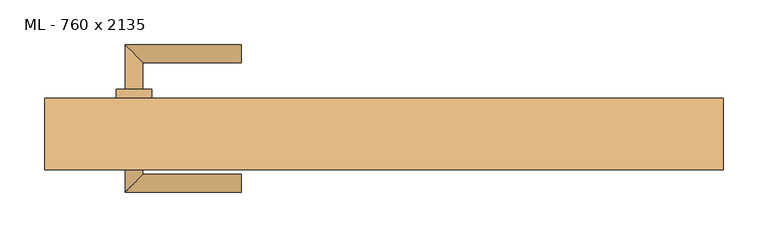
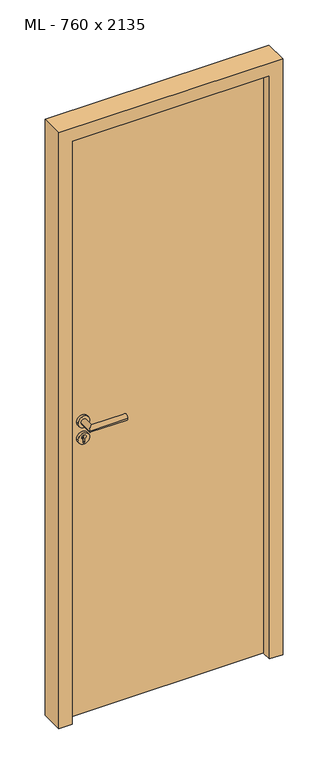
"""IFC4 building model written with IfcOpenShell, lengths in millimetres: door geometry, ML - 760 x 2135."""

import ifcopenshell
import ifcopenshell.guid

model = None  # the IFC model being written
_history = None  # IfcOwnerHistory: only IFC2X3 demands one
_inside = {}  # id of a spatial element -> (the spatial element, [elements in it])
_under = {}  # id of a project, library or spatial element -> (it, [spatial elements below it])
_declared = {}  # id of a project -> (the project, [libraries it declares])
_typed = {}  # id of a type object -> (the type object, [elements of that type])
_made_of = {}  # id of a material, layer set ... -> (it, [elements and type objects made of it])


def new_model(schema):
    """Start an empty IFC model of exactly this schema.

    Asked for "IFC4X3", IfcOpenShell would pick the latest addendum, in which some entities
    have other attributes; the version numbers below select the first issue.
    IFC2X3 requires an IfcOwnerHistory on every rooted entity: one is made here for all.
    """
    global model, _history
    if schema == "IFC4X3":
        model = ifcopenshell.file(schema_version=(4, 3, 0, 0))
    else:
        model = ifcopenshell.file(schema=schema)
    _inside.clear()
    _under.clear()
    _declared.clear()
    _typed.clear()
    _made_of.clear()
    _history = None
    if model.schema == "IFC2X3":
        org = make("IfcOrganization", Name="unknown")
        user = make(
            "IfcPersonAndOrganization",
            ThePerson=make("IfcPerson", FamilyName="unknown"),
            TheOrganization=org,
        )
        app = make(
            "IfcApplication",
            ApplicationDeveloper=org,
            Version="unknown",
            ApplicationFullName="unknown",
            ApplicationIdentifier="unknown",
        )
        _history = make(
            "IfcOwnerHistory",
            OwningUser=user,
            OwningApplication=app,
            ChangeAction="ADDED",
            CreationDate=0,
        )
    return model


def make(cls, **values):
    """One entity of the class cls with the attributes given. An attribute that is None is left unset."""
    return model.create_entity(
        cls, **{name: value for name, value in values.items() if value is not None}
    )


def rooted(cls, **values):
    """An entity with a GlobalId (a new one), such as an element, a storey or a relation."""
    return make(cls, GlobalId=ifcopenshell.guid.new(), OwnerHistory=_history, **values)


def si_unit(unit_type, name, prefix=None):
    """IfcSIUnit, for example si_unit("LENGTHUNIT", "METRE", prefix="MILLI")."""
    return make("IfcSIUnit", UnitType=unit_type, Prefix=prefix, Name=name)


def assignment(units):
    """IfcUnitAssignment: the units of a project."""
    return None if units is None else make("IfcUnitAssignment", Units=units)


def point(xyz):
    """IfcCartesianPoint."""
    return None if xyz is None else make("IfcCartesianPoint", Coordinates=xyz)


def direction(xyz):
    """IfcDirection."""
    return None if xyz is None else make("IfcDirection", DirectionRatios=xyz)


def frame(location, z_axis=None, x_axis=None):
    """IfcAxis2Placement3D, a coordinate frame: its origin and axes. An axis left out is left unset."""
    return make(
        "IfcAxis2Placement3D",
        Location=point(location),
        Axis=direction(z_axis),
        RefDirection=direction(x_axis),
    )


def frame_2d(location, x_axis=None):
    """IfcAxis2Placement2D, a coordinate frame in the plane: its origin and x axis."""
    return make(
        "IfcAxis2Placement2D", Location=point(location), RefDirection=direction(x_axis)
    )


def origin():
    """The frame at (0, 0, 0) with its axes left unset."""
    return frame((0.0, 0.0, 0.0))


def origin_with_axes():
    """The frame at (0, 0, 0) with the z axis (0, 0, 1) and the x axis (1, 0, 0) written out."""
    return frame((0.0, 0.0, 0.0), z_axis=(0.0, 0.0, 1.0), x_axis=(1.0, 0.0, 0.0))


def place(relative_to, where):
    """IfcLocalPlacement: puts the frame where relative to a parent placement (None: the world)."""
    return make(
        "IfcLocalPlacement", PlacementRelTo=relative_to, RelativePlacement=where
    )


def context(
    kind, dimensions, precision=None, world=None, true_north=None, identifier=None
):
    """IfcGeometricRepresentationContext, for example the 3D "Model" context."""
    return make(
        "IfcGeometricRepresentationContext",
        ContextIdentifier=identifier,
        ContextType=kind,
        CoordinateSpaceDimension=dimensions,
        Precision=precision,
        WorldCoordinateSystem=world,
        TrueNorth=true_north,
    )


def project(units=None, contexts=None):
    """IfcProject with its units and contexts."""
    return rooted(
        "IfcProject",
        Name="project",
        RepresentationContexts=contexts,
        UnitsInContext=assignment(units),
    )


def spatial(cls, under=None, at=None, **own):
    """A site, building, storey or space (cls), placed at a placement, below another one or the project."""
    s = rooted(cls, ObjectPlacement=at, **own)
    if under is not None:
        _under.setdefault(under.id(), (under, []))[1].append(s)
    return s


def polyline(points):
    """IfcPolyline through the points."""
    return make("IfcPolyline", Points=[point(p) for p in points])


def circle_curve(where, radius):
    """IfcCircle in the frame where."""
    return make("IfcCircle", Position=where, Radius=radius)


def ellipse_curve(where, semi_axis1, semi_axis2):
    """IfcEllipse in the frame where."""
    return make(
        "IfcEllipse", Position=where, SemiAxis1=semi_axis1, SemiAxis2=semi_axis2
    )


def trimmed(basis, trim1, trim2, sense, master):
    """IfcTrimmedCurve: the piece of a basis curve between two trims."""
    return make(
        "IfcTrimmedCurve",
        BasisCurve=basis,
        Trim1=trim1,
        Trim2=trim2,
        SenseAgreement=sense,
        MasterRepresentation=master,
    )


def segment(curve, same_sense, transition):
    """IfcCompositeCurveSegment."""
    return make(
        "IfcCompositeCurveSegment",
        Transition=transition,
        SameSense=same_sense,
        ParentCurve=curve,
    )


def composite_curve(segments, self_intersect=None):
    """IfcCompositeCurve: segments joined end to end."""
    return make("IfcCompositeCurve", Segments=segments, SelfIntersect=self_intersect)


def outline(outer, holes=None, kind="AREA"):
    """IfcArbitraryClosedProfileDef: a profile drawn as a closed curve; with holes, ...WithVoids."""
    if holes is None:
        return make("IfcArbitraryClosedProfileDef", ProfileType=kind, OuterCurve=outer)
    return make(
        "IfcArbitraryProfileDefWithVoids",
        ProfileType=kind,
        OuterCurve=outer,
        InnerCurves=holes,
    )


def extrude(swept, where, along, depth):
    """IfcExtrudedAreaSolid: the profile swept, set in the frame where, extruded along a direction by depth."""
    return make(
        "IfcExtrudedAreaSolid",
        SweptArea=swept,
        Position=where,
        ExtrudedDirection=direction(along),
        Depth=depth,
    )


def faces_of(points, faces, orient=None, outer=None):
    """IfcFace entities. A face is a list of loops; a loop is a list of indices into points, from 0.

    orient and outer hold one flag for each loop. By default every Orientation is true, the
    first loop of a face is its IfcFaceOuterBound and the others are IfcFaceBound.
    """
    made = []
    for i, loops in enumerate(faces):
        bounds = []
        for j, loop in enumerate(loops):
            is_outer = j == 0 if outer is None else outer[i][j]
            bounds.append(
                make(
                    "IfcFaceOuterBound" if is_outer else "IfcFaceBound",
                    Bound=make("IfcPolyLoop", Polygon=[points[k] for k in loop]),
                    Orientation=True if orient is None else orient[i][j],
                )
            )
        made.append(make("IfcFace", Bounds=bounds))
    return made


def faceted_brep(points, faces, orient=None, outer=None, voids=None):
    """IfcFacetedBrep: a solid bounded by flat faces; with voids (closed shells), ...WithVoids."""
    shared = [point(p) for p in points]
    hull = make("IfcClosedShell", CfsFaces=faces_of(shared, faces, orient, outer))
    if voids is None:
        return make("IfcFacetedBrep", Outer=hull)
    return make(
        "IfcFacetedBrepWithVoids",
        Outer=hull,
        Voids=[
            make(cls, CfsFaces=faces_of(shared, fs, o, b)) for cls, fs, o, b in voids
        ],
    )


def shape(context_of_items, identifier, shape_type, items):
    """IfcShapeRepresentation: the items that make up one representation, for example the "Body"."""
    return make(
        "IfcShapeRepresentation",
        ContextOfItems=context_of_items,
        RepresentationIdentifier=identifier,
        RepresentationType=shape_type,
        Items=items,
    )


def source(mapping_origin, context_of_items, identifier, shape_type, items):
    """IfcRepresentationMap: a shape defined once, which mapped items show again and again."""
    return make(
        "IfcRepresentationMap",
        MappingOrigin=mapping_origin,
        MappedRepresentation=shape(context_of_items, identifier, shape_type, items),
    )


def transform(
    local_origin,
    x_axis=None,
    y_axis=None,
    z_axis=None,
    scale=None,
    scale2=None,
    scale3=None,
    uniform=True,
):
    """IfcCartesianTransformationOperator3D, or its non-uniform kind. x_axis, y_axis, z_axis: its Axis1, 2, 3."""
    if uniform:
        return make(
            "IfcCartesianTransformationOperator3D",
            Axis1=direction(x_axis),
            Axis2=direction(y_axis),
            LocalOrigin=point(local_origin),
            Scale=scale,
            Axis3=direction(z_axis),
        )
    return make(
        "IfcCartesianTransformationOperator3DnonUniform",
        Axis1=direction(x_axis),
        Axis2=direction(y_axis),
        LocalOrigin=point(local_origin),
        Scale=scale,
        Axis3=direction(z_axis),
        Scale2=scale2,
        Scale3=scale3,
    )


def mapped(mapping_source, mapping_target):
    """IfcMappedItem: shows the shape of a source again, moved by a transform."""
    return make(
        "IfcMappedItem", MappingSource=mapping_source, MappingTarget=mapping_target
    )


def made_of(thing, what):
    """Note that an element or type object is made of a material, layer set ...; save() writes the relation."""
    if what is not None:
        _made_of.setdefault(what.id(), (what, []))[1].append(thing)
    return thing


def element(
    cls,
    number,
    at=None,
    inside=None,
    cuts=None,
    type_object=None,
    material=None,
    context=None,
    identifier="Body",
    shape_type=None,
    held_by="IfcProductDefinitionShape",
    body=None,
    shapes=None,
    **own,
):
    """One element of the class cls, such as IfcWall. Its Tag is "e" and its number.

    at: its placement. inside: the storey or other place that contains it. cuts: it is an
    opening in that element (IfcRelVoidsElement). A single representation is given by context,
    identifier, shape_type and body (its items); several are given by shapes. held_by: the class
    of the entity that holds the representations. save() writes the other relations.
    """
    e = rooted(cls, Tag="e%d" % number, ObjectPlacement=at, **own)
    if body is not None:
        shapes = [shape(context, identifier, shape_type, body)]
    if shapes is not None:
        e.Representation = make(held_by, Representations=shapes)
    if inside is not None:
        _inside.setdefault(inside.id(), (inside, []))[1].append(e)
    if cuts is not None:
        rooted(
            "IfcRelVoidsElement", RelatingBuildingElement=cuts, RelatedOpeningElement=e
        )
    if type_object is not None:
        _typed.setdefault(type_object.id(), (type_object, []))[1].append(e)
    return made_of(e, material)


def aggregate(whole, parts):
    """IfcRelAggregates: a whole, such as a stair, and the parts it consists of."""
    return rooted("IfcRelAggregates", RelatingObject=whole, RelatedObjects=parts)


def save(model, path):
    """Write the relations noted so far, then the file.

    IfcRelAggregates (storeys below a building ...), IfcRelContainedInSpatialStructure (elements
    in a storey), IfcRelDefinesByType, IfcRelAssociatesMaterial and IfcRelDeclares: one each for
    every whole, place, type object, material and project.
    """
    for whole, parts in _under.values():
        aggregate(whole, parts)
    for where, things in _inside.values():
        rooted(
            "IfcRelContainedInSpatialStructure",
            RelatedElements=things,
            RelatingStructure=where,
        )
    for kind, things in _typed.values():
        rooted("IfcRelDefinesByType", RelatedObjects=things, RelatingType=kind)
    for what, things in _made_of.values():
        rooted("IfcRelAssociatesMaterial", RelatedObjects=things, RelatingMaterial=what)
    for by, libraries in _declared.values():
        rooted("IfcRelDeclares", RelatingContext=by, RelatedDefinitions=libraries)
    model.write(path)


def plane_surface(at):
    """IfcPlane: the flat surface through the origin of the frame at, square to its z axis."""
    return make("IfcPlane", Position=at)


def cylinder_surface(at, radius):
    """IfcCylindricalSurface: all points at the distance radius from the z axis of the frame at."""
    return make("IfcCylindricalSurface", Position=at, Radius=radius)


def advanced_brep(points, edges, surfaces, faces):
    """IfcAdvancedBrep: a solid bounded by faces that lie on surfaces and meet in shared edges.

    An edge is (start, end): straight between two places in points (the first is 0);
    or (start, end, curve); or (start, end, curve, False) where it runs against its curve.
    A face is (place in surfaces, loops), or (place, loops, False) where it looks against
    its surface's normal. A loop lists edges by number (the first is 1), with a minus sign
    where the edge is run from its end to its start. The first loop is the outer one.
    """
    corners = [point(p) for p in points]
    vertices = [make("IfcVertexPoint", VertexGeometry=c) for c in corners]
    made = []
    for start, end, *more in edges:
        made.append(
            make(
                "IfcEdgeCurve",
                EdgeStart=vertices[start],
                EdgeEnd=vertices[end],
                EdgeGeometry=more[0] if more else make("IfcPolyline", Points=[corners[start], corners[end]]),
                SameSense=more[1] if len(more) > 1 else True,
            )
        )
    hull = []
    for where, loops, *sense in faces:
        bounds = []
        for j, loop in enumerate(loops):
            ring = [make("IfcOrientedEdge", EdgeElement=made[abs(k) - 1], Orientation=k > 0) for k in loop]
            bounds.append(
                make(
                    "IfcFaceOuterBound" if j == 0 else "IfcFaceBound",
                    Bound=make("IfcEdgeLoop", EdgeList=ring),
                    Orientation=True,
                )
            )
        hull.append(make("IfcAdvancedFace", Bounds=bounds, FaceSurface=surfaces[where], SameSense=sense[0] if sense else True))
    return make("IfcAdvancedBrep", Outer=make("IfcClosedShell", CfsFaces=hull))


def ml_760_x_2135_6a030769(model_context):
    return source(origin(), model_context, "Body", "SolidModel", [
        extrude(outline(polyline([(346.0, 40.0), (346.0, -5.0), (-346.0, -5.0), (-346.0, 40.0), (346.0, 40.0)])), origin_with_axes(), (0.0, 0.0, 1.0), 2101.0),
        advanced_brep(
        [(-270.0, 50.0, 1050.0), (-290.0, 50.0, 1050.0), (-270.0, 80.0, 1050.0), (-290.0, 100.0, 1050.0), (-160.0, 80.0, 1050.0), (-160.0, 100.0, 1050.0)],
        [
            (0, 1, circle_curve(frame((-280.0, 50.0, 1050.0), z_axis=(0.0, -1.0, 0.0), x_axis=(-1.0, 0.0, 0.0)), 10.0)),
            (1, 0, circle_curve(frame((-280.0, 50.0, 1050.0), z_axis=(0.0, -1.0, 0.0), x_axis=(-1.0, 0.0, 0.0)), 10.0)),
            (0, 2),
            (2, 3, ellipse_curve(frame((-280.0, 90.0, 1050.0), z_axis=(-0.7071067811865531, -0.7071067811865419, 0.0), x_axis=(0.707106781186542, -0.707106781186553, 0.0)), 14.1421356, 10.0)),
            (3, 1),
            (3, 2, ellipse_curve(frame((-280.0, 90.0, 1050.0), z_axis=(-0.7071067811865531, -0.7071067811865419, 0.0), x_axis=(0.707106781186542, -0.707106781186553, 0.0)), 14.1421356, 10.0)),
            (4, 5, circle_curve(frame((-160.0, 90.0, 1050.0), z_axis=(1.0, 0.0, 0.0), x_axis=(0.0, 1.0, 0.0)), 10.0)),
            (5, 4, circle_curve(frame((-160.0, 90.0, 1050.0), z_axis=(1.0, 0.0, 0.0), x_axis=(0.0, 1.0, 0.0)), 10.0)),
            (2, 4),
            (5, 3),
        ],
        [
            plane_surface(frame((-280.0, 50.0, 1050.0), z_axis=(0.0, -1.0, 0.0), x_axis=(0.0, 0.0, 1.0))),
            cylinder_surface(frame((-280.0, 50.0, 1050.0), z_axis=(0.0, -1.0, 0.0), x_axis=(-1.0, 0.0, 0.0)), 10.0),
            plane_surface(frame((-160.0, 90.0, 1050.0), z_axis=(1.0, 0.0, 0.0), x_axis=(0.0, 0.0, 1.0))),
            cylinder_surface(frame((-280.0, 90.0, 1050.0), z_axis=(-1.0, 0.0, 0.0), x_axis=(0.0, 1.0, 0.0)), 10.0),
        ],
        [
            (0, [[1, 2]]),
            (1, [[-1, 3, 4, 5]]),
            (1, [[-2, -5, 6, -3]]),
            (2, [[7, 8]]),
            (3, [[-4, 9, -8, 10]]),
            (3, [[-6, -10, -7, -9]]),
        ],
    ),
        extrude(outline(composite_curve([segment(trimmed(circle_curve(frame_2d((990.0, -280.0)), 20.0), [point((990.0, -300.0))], [point((990.0, -260.0))], False, "CARTESIAN"), True, "CONTINUOUS"), segment(trimmed(circle_curve(frame_2d((990.0, -280.0)), 20.0), [point((990.0, -260.0))], [point((990.0, -300.0))], False, "CARTESIAN"), True, "CONTINUOUS")], self_intersect=False), holes=[composite_curve([segment(polyline([(976.4601385, -282.397268), (988.4749012, -282.397268)]), True, "CONTINUOUS"), segment(trimmed(circle_curve(frame_2d((995.0361633, -280.0)), 6.9854888), [point((988.4749012, -282.397268))], [point((988.4749012, -277.602732))], True, "CARTESIAN"), True, "CONTINUOUS"), segment(polyline([(988.4749012, -277.602732), (976.4601385, -277.602732)]), True, "CONTINUOUS"), segment(trimmed(circle_curve(frame_2d((976.4601385, -280.0)), 2.397268), [point((976.4601385, -277.602732))], [point((976.4601385, -282.397268))], True, "CARTESIAN"), True, "CONTINUOUS")], self_intersect=False)]), frame((0.0, 40.0, 0.0), z_axis=(0.0, 1.0, 0.0), x_axis=(0.0, 0.0, 1.0)), (0.0, 0.0, 1.0), 10.0),
        advanced_brep(
        [(-270.0, 50.0, 1050.0), (-290.0, 50.0, 1050.0), (-270.0, 80.0, 1050.0), (-290.0, 100.0, 1050.0), (-160.0, 80.0, 1050.0), (-160.0, 100.0, 1050.0)],
        [
            (0, 1, circle_curve(frame((-280.0, 50.0, 1050.0), z_axis=(0.0, -1.0, 0.0), x_axis=(-1.0, 0.0, 0.0)), 10.0)),
            (1, 0, circle_curve(frame((-280.0, 50.0, 1050.0), z_axis=(0.0, -1.0, 0.0), x_axis=(-1.0, 0.0, 0.0)), 10.0)),
            (0, 2),
            (2, 3, ellipse_curve(frame((-280.0, 90.0, 1050.0), z_axis=(-0.7071067811865537, -0.7071067811865414, 0.0), x_axis=(0.7071067811865414, -0.7071067811865536, 0.0)), 14.1421356, 10.0)),
            (3, 1),
            (3, 2, ellipse_curve(frame((-280.0, 90.0, 1050.0), z_axis=(-0.7071067811865537, -0.7071067811865414, 0.0), x_axis=(0.7071067811865414, -0.7071067811865536, 0.0)), 14.1421356, 10.0)),
            (4, 5, circle_curve(frame((-160.0, 90.0, 1050.0), z_axis=(1.0, 0.0, 0.0), x_axis=(0.0, 1.0, 0.0)), 10.0)),
            (5, 4, circle_curve(frame((-160.0, 90.0, 1050.0), z_axis=(1.0, 0.0, 0.0), x_axis=(0.0, 1.0, 0.0)), 10.0)),
            (2, 4),
            (5, 3),
        ],
        [
            plane_surface(frame((-280.0, 50.0, 1050.0), z_axis=(0.0, -1.0, 0.0), x_axis=(0.0, 0.0, 1.0))),
            cylinder_surface(frame((-280.0, 50.0, 1050.0), z_axis=(0.0, -1.0, 0.0), x_axis=(-1.0, 0.0, 0.0)), 10.0),
            plane_surface(frame((-160.0, 90.0, 1050.0), z_axis=(1.0, 0.0, 0.0), x_axis=(0.0, 0.0, 1.0))),
            cylinder_surface(frame((-280.0, 90.0, 1050.0), z_axis=(-1.0, 0.0, 0.0), x_axis=(0.0, 1.0, 0.0)), 10.0),
        ],
        [
            (0, [[1, 2]]),
            (1, [[-1, 3, 4, 5]]),
            (1, [[-2, -5, 6, -3]]),
            (2, [[7, 8]]),
            (3, [[-4, 9, -8, 10]]),
            (3, [[-6, -10, -7, -9]]),
        ],
    ),
        extrude(outline(composite_curve([segment(trimmed(circle_curve(frame_2d((1050.0, -280.0)), 20.0), [point((1050.0, -300.0))], [point((1050.0, -260.0))], False, "CARTESIAN"), True, "CONTINUOUS"), segment(trimmed(circle_curve(frame_2d((1050.0, -280.0)), 20.0), [point((1050.0, -260.0))], [point((1050.0, -300.0))], False, "CARTESIAN"), True, "CONTINUOUS")], self_intersect=False)), frame((0.0, 40.0, 0.0), z_axis=(0.0, 1.0, 0.0), x_axis=(0.0, 0.0, 1.0)), (0.0, 0.0, 1.0), 10.0),
        advanced_brep(
        [(-270.0, -15.0, 1050.0), (-290.0, -15.0, 1050.0), (-290.0, -65.0, 1050.0), (-270.0, -45.0, 1050.0), (-160.0, -45.0, 1050.0), (-160.0, -65.0, 1050.0)],
        [
            (0, 1, circle_curve(frame((-280.0, -15.0, 1050.0), z_axis=(0.0, 1.0, 0.0), x_axis=(-1.0, 0.0, 0.0)), 10.0)),
            (1, 0, circle_curve(frame((-280.0, -15.0, 1050.0), z_axis=(0.0, 1.0, 0.0), x_axis=(-1.0, 0.0, 0.0)), 10.0)),
            (1, 2),
            (2, 3, ellipse_curve(frame((-280.0, -55.0, 1050.0), z_axis=(-0.7071067811865486, 0.7071067811865464, 0.0), x_axis=(0.7071067811865464, 0.7071067811865488, 0.0)), 14.1421356, 10.0)),
            (3, 0),
            (3, 2, ellipse_curve(frame((-280.0, -55.0, 1050.0), z_axis=(-0.7071067811865486, 0.7071067811865464, 0.0), x_axis=(0.7071067811865464, 0.7071067811865488, 0.0)), 14.1421356, 10.0)),
            (4, 5, circle_curve(frame((-160.0, -55.0, 1050.0), z_axis=(1.0, 0.0, 0.0), x_axis=(0.0, -1.0, 0.0)), 10.0)),
            (5, 4, circle_curve(frame((-160.0, -55.0, 1050.0), z_axis=(1.0, 0.0, 0.0), x_axis=(0.0, -1.0, 0.0)), 10.0)),
            (2, 5),
            (4, 3),
        ],
        [
            plane_surface(frame((-280.0, -15.0, 1050.0), z_axis=(0.0, 1.0, 0.0), x_axis=(0.0, 0.0, 1.0))),
            cylinder_surface(frame((-280.0, -15.0, 1050.0), z_axis=(0.0, 1.0, 0.0), x_axis=(-1.0, 0.0, 0.0)), 10.0),
            plane_surface(frame((-160.0, -55.0, 1050.0), z_axis=(1.0, 0.0, 0.0), x_axis=(0.0, 0.0, 1.0))),
            cylinder_surface(frame((-280.0, -55.0, 1050.0), z_axis=(-1.0, 0.0, 0.0), x_axis=(0.0, -1.0, 0.0)), 10.0),
        ],
        [
            (0, [[1, 2]]),
            (1, [[3, 4, 5, -2]]),
            (1, [[-5, 6, -3, -1]]),
            (2, [[7, 8]]),
            (3, [[9, -7, 10, -4]]),
            (3, [[-10, -8, -9, -6]]),
        ],
    ),
        extrude(outline(composite_curve([segment(trimmed(circle_curve(frame_2d((990.0, -280.0)), 20.0), [point((990.0, -300.0))], [point((990.0, -260.0))], False, "CARTESIAN"), True, "CONTINUOUS"), segment(trimmed(circle_curve(frame_2d((990.0, -280.0)), 20.0), [point((990.0, -260.0))], [point((990.0, -300.0))], False, "CARTESIAN"), True, "CONTINUOUS")], self_intersect=False), holes=[composite_curve([segment(polyline([(976.4601385, -282.397268), (988.4749012, -282.397268)]), True, "CONTINUOUS"), segment(trimmed(circle_curve(frame_2d((995.0361633, -280.0)), 6.9854888), [point((988.4749012, -282.397268))], [point((988.4749012, -277.602732))], True, "CARTESIAN"), True, "CONTINUOUS"), segment(polyline([(988.4749012, -277.602732), (976.4601385, -277.602732)]), True, "CONTINUOUS"), segment(trimmed(circle_curve(frame_2d((976.4601385, -280.0)), 2.397268), [point((976.4601385, -277.602732))], [point((976.4601385, -282.397268))], True, "CARTESIAN"), True, "CONTINUOUS")], self_intersect=False)]), frame((0.0, -15.0, 0.0), z_axis=(0.0, 1.0, 0.0), x_axis=(0.0, 0.0, 1.0)), (0.0, 0.0, 1.0), 10.0),
        advanced_brep(
        [(-270.0, -15.0, 1050.0), (-290.0, -15.0, 1050.0), (-290.0, -65.0, 1050.0), (-270.0, -45.0, 1050.0), (-160.0, -45.0, 1050.0), (-160.0, -65.0, 1050.0)],
        [
            (0, 1, circle_curve(frame((-280.0, -15.0, 1050.0), z_axis=(0.0, 1.0, 0.0), x_axis=(-1.0, 0.0, 0.0)), 10.0)),
            (1, 0, circle_curve(frame((-280.0, -15.0, 1050.0), z_axis=(0.0, 1.0, 0.0), x_axis=(-1.0, 0.0, 0.0)), 10.0)),
            (1, 2),
            (2, 3, ellipse_curve(frame((-280.0, -55.0, 1050.0), z_axis=(-0.7071067811865491, 0.7071067811865459, 0.0), x_axis=(0.7071067811865458, 0.7071067811865492, 0.0)), 14.1421356, 10.0)),
            (3, 0),
            (3, 2, ellipse_curve(frame((-280.0, -55.0, 1050.0), z_axis=(-0.7071067811865491, 0.7071067811865459, 0.0), x_axis=(0.7071067811865458, 0.7071067811865492, 0.0)), 14.1421356, 10.0)),
            (4, 5, circle_curve(frame((-160.0, -55.0, 1050.0), z_axis=(1.0, 0.0, 0.0), x_axis=(0.0, -1.0, 0.0)), 10.0)),
            (5, 4, circle_curve(frame((-160.0, -55.0, 1050.0), z_axis=(1.0, 0.0, 0.0), x_axis=(0.0, -1.0, 0.0)), 10.0)),
            (2, 5),
            (4, 3),
        ],
        [
            plane_surface(frame((-280.0, -15.0, 1050.0), z_axis=(0.0, 1.0, 0.0), x_axis=(0.0, 0.0, 1.0))),
            cylinder_surface(frame((-280.0, -15.0, 1050.0), z_axis=(0.0, 1.0, 0.0), x_axis=(-1.0, 0.0, 0.0)), 10.0),
            plane_surface(frame((-160.0, -55.0, 1050.0), z_axis=(1.0, 0.0, 0.0), x_axis=(0.0, 0.0, 1.0))),
            cylinder_surface(frame((-280.0, -55.0, 1050.0), z_axis=(-1.0, 0.0, 0.0), x_axis=(0.0, -1.0, 0.0)), 10.0),
        ],
        [
            (0, [[1, 2]]),
            (1, [[3, 4, 5, -2]]),
            (1, [[-5, 6, -3, -1]]),
            (2, [[7, 8]]),
            (3, [[9, -7, 10, -4]]),
            (3, [[-10, -8, -9, -6]]),
        ],
    ),
        extrude(outline(composite_curve([segment(trimmed(circle_curve(frame_2d((1050.0, -280.0)), 20.0), [point((1050.0, -300.0))], [point((1050.0, -260.0))], False, "CARTESIAN"), True, "CONTINUOUS"), segment(trimmed(circle_curve(frame_2d((1050.0, -280.0)), 20.0), [point((1050.0, -260.0))], [point((1050.0, -300.0))], False, "CARTESIAN"), True, "CONTINUOUS")], self_intersect=False)), frame((0.0, -15.0, 0.0), z_axis=(0.0, 1.0, 0.0), x_axis=(0.0, 0.0, 1.0)), (0.0, 0.0, 1.0), 10.0),
        faceted_brep([(-350.0, 40.0, 0.0), (-350.0, -5.0, 0.0), (-335.0, -5.0, 0.0), (-335.0, -40.0, 0.0), (-380.0, -40.0, 0.0), (-380.0, 40.0, 0.0), (-350.0, 40.0, 2105.0), (-350.0, -5.0, 2105.0), (350.0, -5.0, 2105.0), (350.0, -5.0, 0.0), (335.0, -5.0, 0.0), (335.0, -5.0, 2090.0), (-335.0, -5.0, 2090.0), (-335.0, -40.0, 2090.0), (335.0, -40.0, 2090.0), (335.0, -40.0, 0.0), (380.0, -40.0, 0.0), (380.0, -40.0, 2135.0), (-380.0, -40.0, 2135.0), (-380.0, 40.0, 2135.0), (380.0, 40.0, 2135.0), (380.0, 40.0, 0.0), (350.0, 40.0, 0.0), (350.0, 40.0, 2105.0)], [[[0, 1, 2, 3, 4, 5]], [[1, 0, 6, 7]], [[2, 1, 7, 8, 9, 10, 11, 12]], [[3, 2, 12, 13]], [[4, 3, 13, 14, 15, 16, 17, 18]], [[5, 4, 18, 19]], [[0, 5, 19, 20, 21, 22, 23, 6]], [[20, 17, 16, 21]], [[22, 21, 16, 15, 10, 9]], [[8, 23, 22, 9]], [[14, 11, 10, 15]], [[19, 18, 17, 20]], [[13, 12, 11, 14]], [[7, 6, 23, 8]]]),
    ])


if __name__ == "__main__":
    model = new_model("IFC4")
    model_context = context("Model", 3, world=origin())
    ifc_project = project(units=[si_unit("LENGTHUNIT", "METRE", prefix="MILLI")], contexts=[model_context])
    site = spatial("IfcSite", under=ifc_project)
    building = spatial("IfcBuilding", under=site)
    placement = place(None, origin())
    ml_760_x_2135_shape = ml_760_x_2135_6a030769(model_context)
    element("IfcDoor", 1, ObjectType="ML - 760 x 2135", at=placement, inside=building, context=model_context, shape_type="MappedRepresentation", body=[
        mapped(ml_760_x_2135_shape, transform((0.0, 0.0, 0.0), x_axis=(1.0, 0.0, 0.0), y_axis=(0.0, 1.0, 0.0), z_axis=(0.0, 0.0, 1.0))),
    ])
    save(model, "model.ifc")
